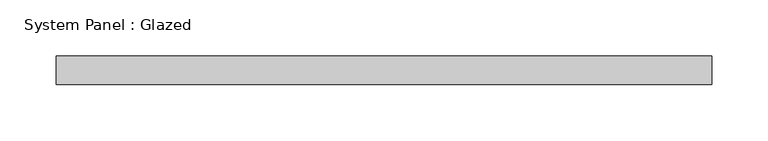
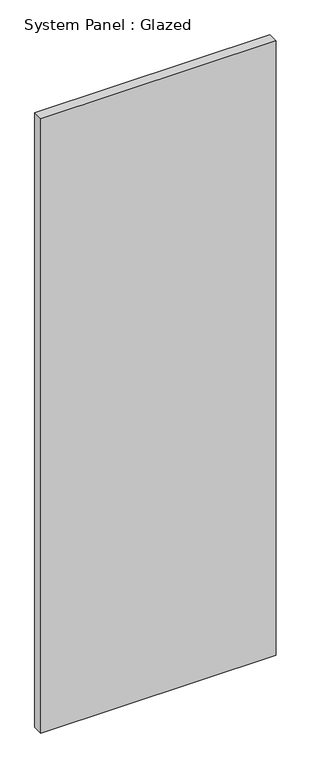
"""IFC4 building model written with IfcOpenShell, lengths in millimetres: plate geometry, System Panel : Glazed."""

from ifc_helpers import new_model, si_unit, origin, origin_with_axes, place, context, project, spatial, polyline, outline, extrude, source, transform, mapped, element, save


def system_panel_glazed_339076bc(model_context):
    return source(origin(), model_context, "Body", "SweptSolid", [
        extrude(outline(polyline([(290.0, 24.5), (-290.0, 24.5), (-290.0, 49.5), (290.0, 49.5), (290.0, 24.5)])), origin_with_axes(), (0.0, 0.0, 1.0), 1600.0),
    ])


if __name__ == "__main__":
    model = new_model("IFC4")
    model_context = context("Model", 3, world=origin())
    ifc_project = project(units=[si_unit("LENGTHUNIT", "METRE", prefix="MILLI")], contexts=[model_context])
    site = spatial("IfcSite", under=ifc_project)
    building = spatial("IfcBuilding", under=site)
    placement = place(None, origin())
    system_panel_glazed_shape = system_panel_glazed_339076bc(model_context)
    element("IfcPlate", 1, ObjectType="System Panel : Glazed", at=placement, inside=building, context=model_context, shape_type="MappedRepresentation", body=[
        mapped(system_panel_glazed_shape, transform((0.0, 0.0, 0.0), x_axis=(1.0, 0.0, 0.0), y_axis=(0.0, 1.0, 0.0), z_axis=(0.0, 0.0, 1.0))),
    ])
    save(model, "model.ifc")
